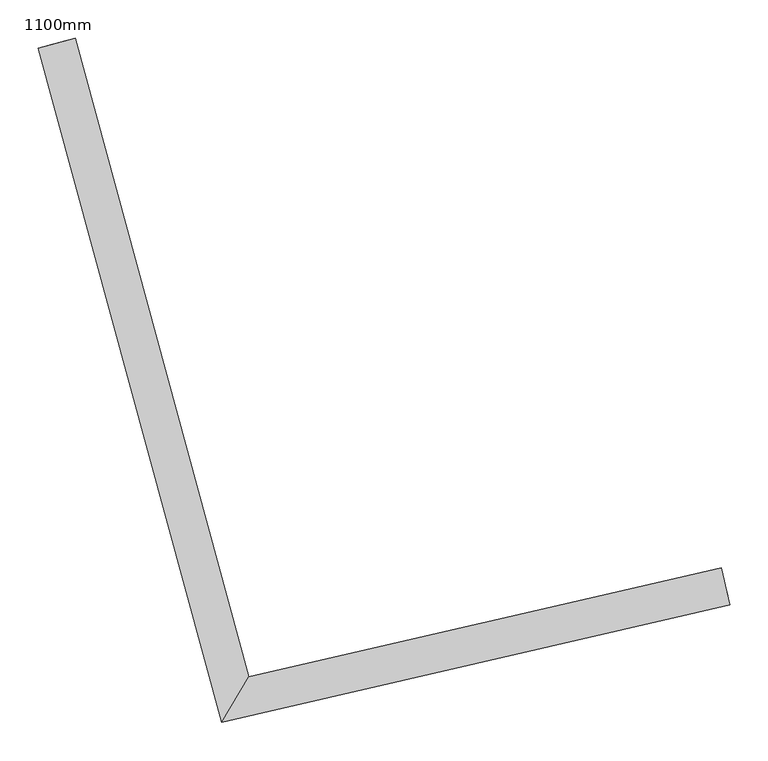
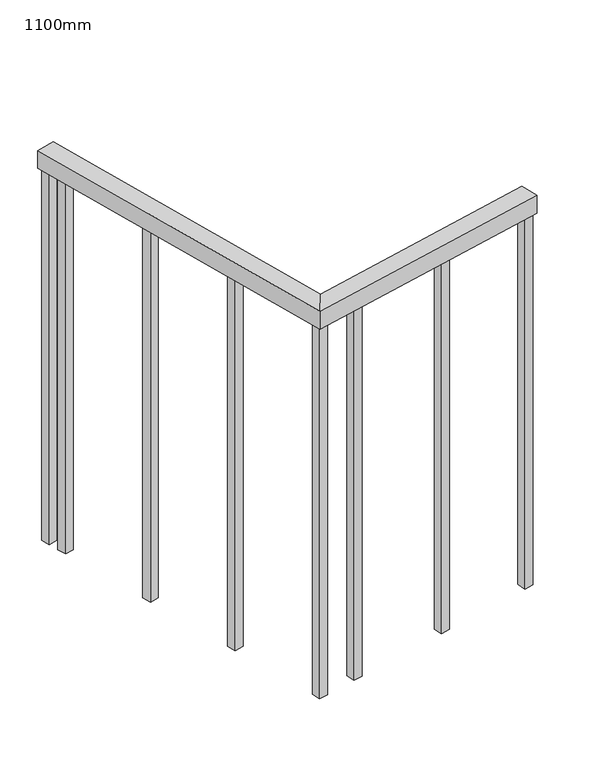
"""IFC4 building model written with IfcOpenShell, lengths in millimetres: railing geometry, 1100mm."""

from ifc_helpers import new_model, si_unit, frame, origin, place, context, project, spatial, polyline, outline, extrude, faceted_brep, source, transform, mapped, element, save


def railing_1100mm_c8b3e206(model_context):
    return source(origin(), model_context, "Body", "SolidModel", [
        faceted_brep([(214882.5891555, -68554.32262, 1700.0), (214893.8367082, -68603.0411232, 1700.0), (214893.8367082, -68603.0411232, 1650.0), (214882.5891555, -68554.32262, 1650.0), (214264.4424104, -68697.0330409, 1700.0), (214228.8119449, -68756.5741874, 1700.0), (214228.8119449, -68756.5741874, 1650.0), (214264.4424104, -68697.0330409, 1650.0), (214037.1457215, -67860.7835812, 1700.0), (214037.1457215, -67860.7835812, 1650.0), (213988.8962509, -67873.8980231, 1650.0), (213988.8962509, -67873.8980231, 1700.0)], [[[0, 1, 2, 3]], [[1, 0, 4, 5]], [[2, 1, 5, 6]], [[3, 2, 6, 7]], [[0, 3, 7, 4]], [[8, 9, 10, 11]], [[5, 4, 8, 11]], [[6, 5, 11, 10]], [[7, 6, 10, 9]], [[4, 7, 9, 8]]]),
        extrude(outline(polyline([(214045.5798652, -67939.4711061), (214021.4551299, -67946.028327), (214014.897909, -67921.9035917), (214039.0226443, -67915.3463708), (214045.5798652, -67939.4711061)])), frame((0.0, 0.0, 600.0), z_axis=(0.0, 0.0, 1.0), x_axis=(1.0, 0.0, 0.0)), (0.0, 0.0, 1.0), 1050.0),
        extrude(outline(polyline([(214117.7092954, -68204.8431945), (214093.5845601, -68211.4004154), (214087.0273392, -68187.2756801), (214111.1520745, -68180.7184592), (214117.7092954, -68204.8431945)])), frame((0.0, 0.0, 600.0), z_axis=(0.0, 0.0, 1.0), x_axis=(1.0, 0.0, 0.0)), (0.0, 0.0, 1.0), 1050.0),
        extrude(outline(polyline([(214189.8387256, -68470.2152829), (214165.7139903, -68476.7725038), (214159.1567694, -68452.6477685), (214183.2815047, -68446.0905476), (214189.8387256, -68470.2152829)])), frame((0.0, 0.0, 600.0), z_axis=(0.0, 0.0, 1.0), x_axis=(1.0, 0.0, 0.0)), (0.0, 0.0, 1.0), 1050.0),
        extrude(outline(polyline([(214361.6771339, -68687.4134375), (214367.3009102, -68711.7726891), (214342.9416586, -68717.3964655), (214337.3178822, -68693.0372138), (214361.6771339, -68687.4134375)])), frame((0.0, 0.0, 600.0), z_axis=(0.0, 0.0, 1.0), x_axis=(1.0, 0.0, 0.0)), (0.0, 0.0, 1.0), 1050.0),
        extrude(outline(polyline([(214629.6289017, -68625.5518975), (214635.252678, -68649.9111492), (214610.8934264, -68655.5349255), (214605.26965, -68631.1756739), (214629.6289017, -68625.5518975)])), frame((0.0, 0.0, 600.0), z_axis=(0.0, 0.0, 1.0), x_axis=(1.0, 0.0, 0.0)), (0.0, 0.0, 1.0), 1050.0),
        extrude(outline(polyline([(214255.9949153, -68711.8121001), (214261.6186917, -68736.1713517), (214237.25944, -68741.7951281), (214231.6356637, -68717.4358765), (214255.9949153, -68711.8121001)])), frame((0.0, 0.0, 600.0), z_axis=(0.0, 0.0, 1.0), x_axis=(1.0, 0.0, 0.0)), (0.0, 0.0, 1.0), 1050.0),
        extrude(outline(polyline([(214031.6405748, -67888.186927), (214007.5158395, -67894.7441479), (214000.9586186, -67870.6194126), (214025.0833539, -67864.0621917), (214031.6405748, -67888.186927)])), frame((0.0, 0.0, 600.0), z_axis=(0.0, 0.0, 1.0), x_axis=(1.0, 0.0, 0.0)), (0.0, 0.0, 1.0), 1050.0),
        extrude(outline(polyline([(214885.4010437, -68566.5022458), (214891.02482, -68590.8614974), (214866.6655684, -68596.4852738), (214861.0417921, -68572.1260221), (214885.4010437, -68566.5022458)])), frame((0.0, 0.0, 600.0), z_axis=(0.0, 0.0, 1.0), x_axis=(1.0, 0.0, 0.0)), (0.0, 0.0, 1.0), 1050.0),
    ])


if __name__ == "__main__":
    model = new_model("IFC4")
    model_context = context("Model", 3, world=origin())
    ifc_project = project(units=[si_unit("LENGTHUNIT", "METRE", prefix="MILLI")], contexts=[model_context])
    site = spatial("IfcSite", under=ifc_project)
    building = spatial("IfcBuilding", under=site)
    placement = place(None, origin())
    railing_1100mm_shape = railing_1100mm_c8b3e206(model_context)
    element("IfcRailing", 1, ObjectType="1100mm", at=placement, inside=building, context=model_context, shape_type="MappedRepresentation", body=[
        mapped(railing_1100mm_shape, transform((0.0, 0.0, 0.0), x_axis=(1.0, 0.0, 0.0), y_axis=(0.0, 1.0, 0.0), z_axis=(0.0, 0.0, 1.0))),
    ])
    save(model, "model.ifc")
